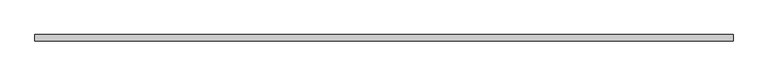
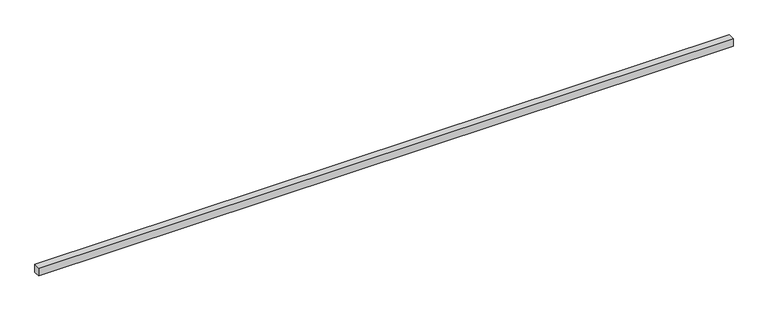
"""IFC4 building model written with IfcOpenShell, lengths in millimetres: proxy geometry."""

from ifc_helpers import new_model, si_unit, origin, origin_with_axes, place, context, project, spatial, polyline, outline, extrude, source, transform, mapped, element, save


def generic_models_d06cb679(model_context):
    return source(origin(), model_context, "Body", "SweptSolid", [
        extrude(outline(polyline([(8483.6380136, -40.0), (0.0, -40.0), (0.0, 40.0), (8483.6380136, 40.0), (8483.6380136, -40.0)])), origin_with_axes(), (0.0, 0.0, 1.0), 100.0),
    ])


if __name__ == "__main__":
    model = new_model("IFC4")
    model_context = context("Model", 3, world=origin())
    ifc_project = project(units=[si_unit("LENGTHUNIT", "METRE", prefix="MILLI")], contexts=[model_context])
    site = spatial("IfcSite", under=ifc_project)
    building = spatial("IfcBuilding", under=site)
    placement = place(None, origin())
    generic_models_shape = generic_models_d06cb679(model_context)
    element("IfcBuildingElementProxy", 1, Name="Generic Models", at=placement, inside=building, context=model_context, shape_type="MappedRepresentation", body=[
        mapped(generic_models_shape, transform((0.0, 0.0, 0.0), x_axis=(1.0, 0.0, 0.0), y_axis=(0.0, 1.0, 0.0), z_axis=(0.0, 0.0, 1.0))),
    ])
    save(model, "model.ifc")
